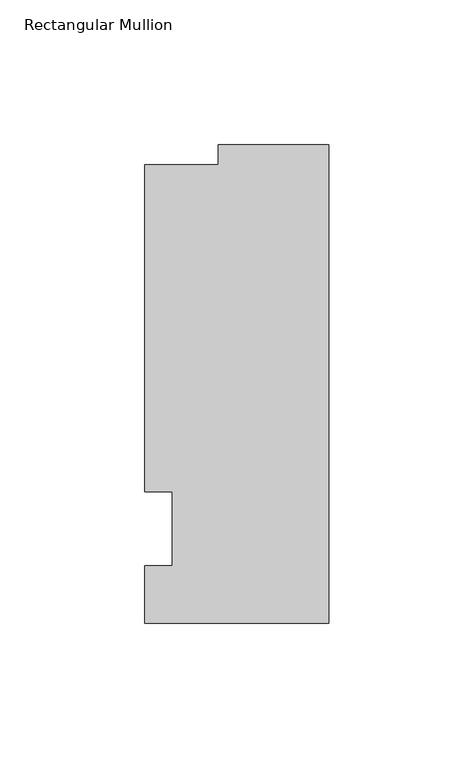
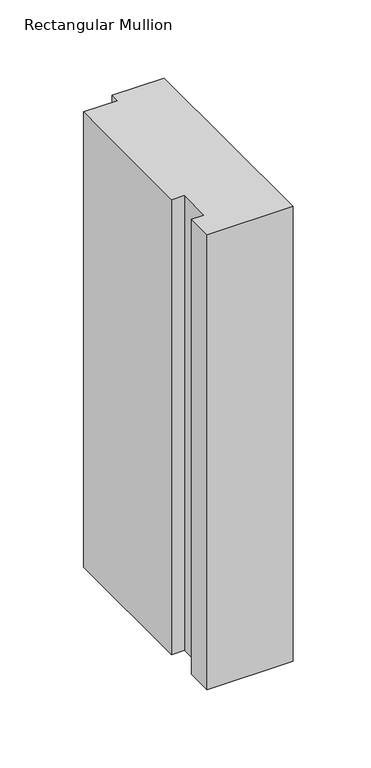
"""IFC4 building model written with IfcOpenShell, lengths in millimetres: member geometry, Rectangular Mullion."""

from ifc_helpers import new_model, si_unit, frame, origin, place, context, project, spatial, polyline, outline, extrude, source, transform, mapped, element, save


def rectangular_mullion_cb64e45c(model_context):
    return source(origin(), model_context, "Body", "SweptSolid", [
        extrude(outline(polyline([(-63.5, -32.54375), (-63.5, -12.7), (-53.975, -12.7), (-53.975, 12.7), (-63.5, 12.7), (-63.5, 125.59665), (-38.1, 125.59665), (-38.1, 132.55625), (0.0, 132.55625), (0.0, -32.54375), (-63.5, -32.54375)])), frame((0.0, 0.0, -355.6), z_axis=(0.0, 0.0, 1.0), x_axis=(1.0, 0.0, 0.0)), (0.0, 0.0, 1.0), 355.6),
    ])


if __name__ == "__main__":
    model = new_model("IFC4")
    model_context = context("Model", 3, world=origin())
    ifc_project = project(units=[si_unit("LENGTHUNIT", "METRE", prefix="MILLI")], contexts=[model_context])
    site = spatial("IfcSite", under=ifc_project)
    building = spatial("IfcBuilding", under=site)
    placement = place(None, origin())
    rectangular_mullion_shape = rectangular_mullion_cb64e45c(model_context)
    element("IfcMember", 1, ObjectType="Rectangular Mullion", at=placement, inside=building, context=model_context, shape_type="MappedRepresentation", body=[
        mapped(rectangular_mullion_shape, transform((0.0, 0.0, 0.0), x_axis=(1.0, 0.0, 0.0), y_axis=(0.0, 1.0, 0.0), z_axis=(0.0, 0.0, 1.0))),
    ])
    save(model, "model.ifc")
